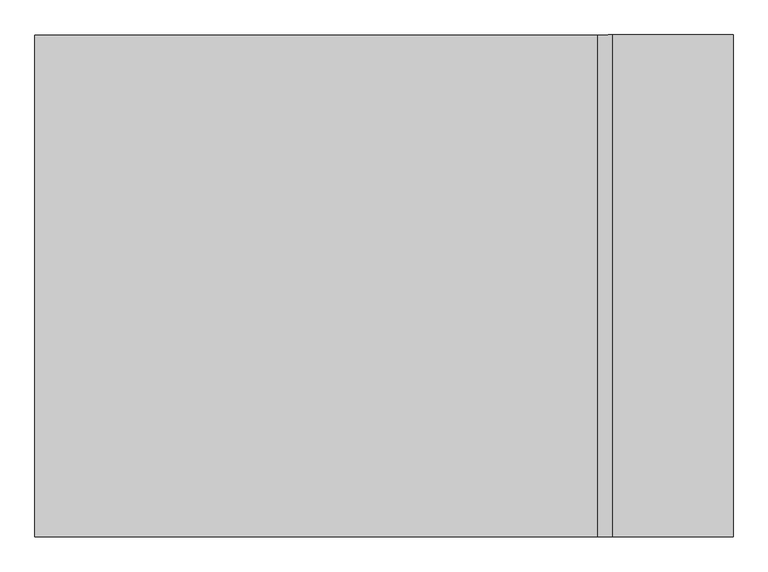
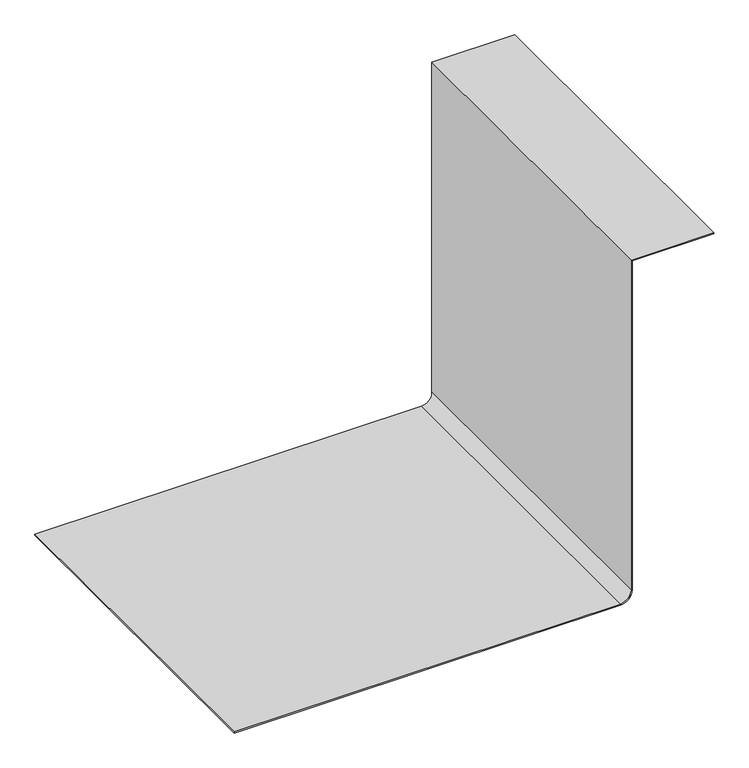
"""IFC4 building model written with IfcOpenShell, lengths in millimetres: proxy geometry."""

import ifcopenshell
import ifcopenshell.guid

model = None  # the IFC model being written
_history = None  # IfcOwnerHistory: only IFC2X3 demands one
_inside = {}  # id of a spatial element -> (the spatial element, [elements in it])
_under = {}  # id of a project, library or spatial element -> (it, [spatial elements below it])
_declared = {}  # id of a project -> (the project, [libraries it declares])
_typed = {}  # id of a type object -> (the type object, [elements of that type])
_made_of = {}  # id of a material, layer set ... -> (it, [elements and type objects made of it])


def new_model(schema):
    """Start an empty IFC model of exactly this schema.

    Asked for "IFC4X3", IfcOpenShell would pick the latest addendum, in which some entities
    have other attributes; the version numbers below select the first issue.
    IFC2X3 requires an IfcOwnerHistory on every rooted entity: one is made here for all.
    """
    global model, _history
    if schema == "IFC4X3":
        model = ifcopenshell.file(schema_version=(4, 3, 0, 0))
    else:
        model = ifcopenshell.file(schema=schema)
    _inside.clear()
    _under.clear()
    _declared.clear()
    _typed.clear()
    _made_of.clear()
    _history = None
    if model.schema == "IFC2X3":
        org = make("IfcOrganization", Name="unknown")
        user = make(
            "IfcPersonAndOrganization",
            ThePerson=make("IfcPerson", FamilyName="unknown"),
            TheOrganization=org,
        )
        app = make(
            "IfcApplication",
            ApplicationDeveloper=org,
            Version="unknown",
            ApplicationFullName="unknown",
            ApplicationIdentifier="unknown",
        )
        _history = make(
            "IfcOwnerHistory",
            OwningUser=user,
            OwningApplication=app,
            ChangeAction="ADDED",
            CreationDate=0,
        )
    return model


def make(cls, **values):
    """One entity of the class cls with the attributes given. An attribute that is None is left unset."""
    return model.create_entity(
        cls, **{name: value for name, value in values.items() if value is not None}
    )


def rooted(cls, **values):
    """An entity with a GlobalId (a new one), such as an element, a storey or a relation."""
    return make(cls, GlobalId=ifcopenshell.guid.new(), OwnerHistory=_history, **values)


def si_unit(unit_type, name, prefix=None):
    """IfcSIUnit, for example si_unit("LENGTHUNIT", "METRE", prefix="MILLI")."""
    return make("IfcSIUnit", UnitType=unit_type, Prefix=prefix, Name=name)


def assignment(units):
    """IfcUnitAssignment: the units of a project."""
    return None if units is None else make("IfcUnitAssignment", Units=units)


def point(xyz):
    """IfcCartesianPoint."""
    return None if xyz is None else make("IfcCartesianPoint", Coordinates=xyz)


def direction(xyz):
    """IfcDirection."""
    return None if xyz is None else make("IfcDirection", DirectionRatios=xyz)


def frame(location, z_axis=None, x_axis=None):
    """IfcAxis2Placement3D, a coordinate frame: its origin and axes. An axis left out is left unset."""
    return make(
        "IfcAxis2Placement3D",
        Location=point(location),
        Axis=direction(z_axis),
        RefDirection=direction(x_axis),
    )


def frame_2d(location, x_axis=None):
    """IfcAxis2Placement2D, a coordinate frame in the plane: its origin and x axis."""
    return make(
        "IfcAxis2Placement2D", Location=point(location), RefDirection=direction(x_axis)
    )


def origin():
    """The frame at (0, 0, 0) with its axes left unset."""
    return frame((0.0, 0.0, 0.0))


def place(relative_to, where):
    """IfcLocalPlacement: puts the frame where relative to a parent placement (None: the world)."""
    return make(
        "IfcLocalPlacement", PlacementRelTo=relative_to, RelativePlacement=where
    )


def context(
    kind, dimensions, precision=None, world=None, true_north=None, identifier=None
):
    """IfcGeometricRepresentationContext, for example the 3D "Model" context."""
    return make(
        "IfcGeometricRepresentationContext",
        ContextIdentifier=identifier,
        ContextType=kind,
        CoordinateSpaceDimension=dimensions,
        Precision=precision,
        WorldCoordinateSystem=world,
        TrueNorth=true_north,
    )


def project(units=None, contexts=None):
    """IfcProject with its units and contexts."""
    return rooted(
        "IfcProject",
        Name="project",
        RepresentationContexts=contexts,
        UnitsInContext=assignment(units),
    )


def spatial(cls, under=None, at=None, **own):
    """A site, building, storey or space (cls), placed at a placement, below another one or the project."""
    s = rooted(cls, ObjectPlacement=at, **own)
    if under is not None:
        _under.setdefault(under.id(), (under, []))[1].append(s)
    return s


def polyline(points):
    """IfcPolyline through the points."""
    return make("IfcPolyline", Points=[point(p) for p in points])


def circle_curve(where, radius):
    """IfcCircle in the frame where."""
    return make("IfcCircle", Position=where, Radius=radius)


def trimmed(basis, trim1, trim2, sense, master):
    """IfcTrimmedCurve: the piece of a basis curve between two trims."""
    return make(
        "IfcTrimmedCurve",
        BasisCurve=basis,
        Trim1=trim1,
        Trim2=trim2,
        SenseAgreement=sense,
        MasterRepresentation=master,
    )


def segment(curve, same_sense, transition):
    """IfcCompositeCurveSegment."""
    return make(
        "IfcCompositeCurveSegment",
        Transition=transition,
        SameSense=same_sense,
        ParentCurve=curve,
    )


def composite_curve(segments, self_intersect=None):
    """IfcCompositeCurve: segments joined end to end."""
    return make("IfcCompositeCurve", Segments=segments, SelfIntersect=self_intersect)


def outline(outer, holes=None, kind="AREA"):
    """IfcArbitraryClosedProfileDef: a profile drawn as a closed curve; with holes, ...WithVoids."""
    if holes is None:
        return make("IfcArbitraryClosedProfileDef", ProfileType=kind, OuterCurve=outer)
    return make(
        "IfcArbitraryProfileDefWithVoids",
        ProfileType=kind,
        OuterCurve=outer,
        InnerCurves=holes,
    )


def extrude(swept, where, along, depth):
    """IfcExtrudedAreaSolid: the profile swept, set in the frame where, extruded along a direction by depth."""
    return make(
        "IfcExtrudedAreaSolid",
        SweptArea=swept,
        Position=where,
        ExtrudedDirection=direction(along),
        Depth=depth,
    )


def shape(context_of_items, identifier, shape_type, items):
    """IfcShapeRepresentation: the items that make up one representation, for example the "Body"."""
    return make(
        "IfcShapeRepresentation",
        ContextOfItems=context_of_items,
        RepresentationIdentifier=identifier,
        RepresentationType=shape_type,
        Items=items,
    )


def source(mapping_origin, context_of_items, identifier, shape_type, items):
    """IfcRepresentationMap: a shape defined once, which mapped items show again and again."""
    return make(
        "IfcRepresentationMap",
        MappingOrigin=mapping_origin,
        MappedRepresentation=shape(context_of_items, identifier, shape_type, items),
    )


def transform(
    local_origin,
    x_axis=None,
    y_axis=None,
    z_axis=None,
    scale=None,
    scale2=None,
    scale3=None,
    uniform=True,
):
    """IfcCartesianTransformationOperator3D, or its non-uniform kind. x_axis, y_axis, z_axis: its Axis1, 2, 3."""
    if uniform:
        return make(
            "IfcCartesianTransformationOperator3D",
            Axis1=direction(x_axis),
            Axis2=direction(y_axis),
            LocalOrigin=point(local_origin),
            Scale=scale,
            Axis3=direction(z_axis),
        )
    return make(
        "IfcCartesianTransformationOperator3DnonUniform",
        Axis1=direction(x_axis),
        Axis2=direction(y_axis),
        LocalOrigin=point(local_origin),
        Scale=scale,
        Axis3=direction(z_axis),
        Scale2=scale2,
        Scale3=scale3,
    )


def mapped(mapping_source, mapping_target):
    """IfcMappedItem: shows the shape of a source again, moved by a transform."""
    return make(
        "IfcMappedItem", MappingSource=mapping_source, MappingTarget=mapping_target
    )


def made_of(thing, what):
    """Note that an element or type object is made of a material, layer set ...; save() writes the relation."""
    if what is not None:
        _made_of.setdefault(what.id(), (what, []))[1].append(thing)
    return thing


def element(
    cls,
    number,
    at=None,
    inside=None,
    cuts=None,
    type_object=None,
    material=None,
    context=None,
    identifier="Body",
    shape_type=None,
    held_by="IfcProductDefinitionShape",
    body=None,
    shapes=None,
    **own,
):
    """One element of the class cls, such as IfcWall. Its Tag is "e" and its number.

    at: its placement. inside: the storey or other place that contains it. cuts: it is an
    opening in that element (IfcRelVoidsElement). A single representation is given by context,
    identifier, shape_type and body (its items); several are given by shapes. held_by: the class
    of the entity that holds the representations. save() writes the other relations.
    """
    e = rooted(cls, Tag="e%d" % number, ObjectPlacement=at, **own)
    if body is not None:
        shapes = [shape(context, identifier, shape_type, body)]
    if shapes is not None:
        e.Representation = make(held_by, Representations=shapes)
    if inside is not None:
        _inside.setdefault(inside.id(), (inside, []))[1].append(e)
    if cuts is not None:
        rooted(
            "IfcRelVoidsElement", RelatingBuildingElement=cuts, RelatedOpeningElement=e
        )
    if type_object is not None:
        _typed.setdefault(type_object.id(), (type_object, []))[1].append(e)
    return made_of(e, material)


def aggregate(whole, parts):
    """IfcRelAggregates: a whole, such as a stair, and the parts it consists of."""
    return rooted("IfcRelAggregates", RelatingObject=whole, RelatedObjects=parts)


def save(model, path):
    """Write the relations noted so far, then the file.

    IfcRelAggregates (storeys below a building ...), IfcRelContainedInSpatialStructure (elements
    in a storey), IfcRelDefinesByType, IfcRelAssociatesMaterial and IfcRelDeclares: one each for
    every whole, place, type object, material and project.
    """
    for whole, parts in _under.values():
        aggregate(whole, parts)
    for where, things in _inside.values():
        rooted(
            "IfcRelContainedInSpatialStructure",
            RelatedElements=things,
            RelatingStructure=where,
        )
    for kind, things in _typed.values():
        rooted("IfcRelDefinesByType", RelatedObjects=things, RelatingType=kind)
    for what, things in _made_of.values():
        rooted("IfcRelAssociatesMaterial", RelatedObjects=things, RelatingMaterial=what)
    for by, libraries in _declared.values():
        rooted("IfcRelDeclares", RelatingContext=by, RelatedDefinitions=libraries)
    model.write(path)


def generic_models_78e168ee(model_context):
    return source(origin(), model_context, "Body", "SweptSolid", [
        extrude(outline(composite_curve([segment(polyline([(4686.3, 36540.1368587), (4686.3, 37563.9960168)]), True, "CONTINUOUS"), segment(trimmed(circle_curve(frame_2d((4718.05, 37563.9960168)), 31.75), [point((4686.3, 37563.9960168))], [point((4718.05, 37595.7460168))], False, "CARTESIAN"), True, "CONTINUOUS"), segment(polyline([(4718.05, 37595.7460168), (5640.3875, 37595.7460168), (5640.3875, 37811.6460168), (5643.5625, 37811.6460168), (5643.5625, 37592.5710168), (4718.05, 37592.5710168)]), True, "CONTINUOUS"), segment(trimmed(circle_curve(frame_2d((4718.05, 37563.9960168)), 28.575), [point((4718.05, 37592.5710168))], [point((4689.475, 37563.9960168))], True, "CARTESIAN"), True, "CONTINUOUS"), segment(polyline([(4689.475, 37563.9960168), (4689.475, 36540.1368587), (4686.3, 36540.1368587)]), True, "CONTINUOUS")], self_intersect=False)), frame((0.0, -24891.5529893, 0.0), z_axis=(0.0, 1.0, 0.0), x_axis=(0.0, 0.0, 1.0)), (0.0, 0.0, 1.0), 914.4),
    ])


if __name__ == "__main__":
    model = new_model("IFC4")
    model_context = context("Model", 3, world=origin())
    ifc_project = project(units=[si_unit("LENGTHUNIT", "METRE", prefix="MILLI")], contexts=[model_context])
    site = spatial("IfcSite", under=ifc_project)
    building = spatial("IfcBuilding", under=site)
    placement = place(None, origin())
    generic_models_shape = generic_models_78e168ee(model_context)
    element("IfcBuildingElementProxy", 1, Name="Generic Models", at=placement, inside=building, context=model_context, shape_type="MappedRepresentation", body=[
        mapped(generic_models_shape, transform((0.0, 0.0, 0.0), x_axis=(1.0, 0.0, 0.0), y_axis=(0.0, 1.0, 0.0), z_axis=(0.0, 0.0, 1.0))),
    ])
    save(model, "model.ifc")
